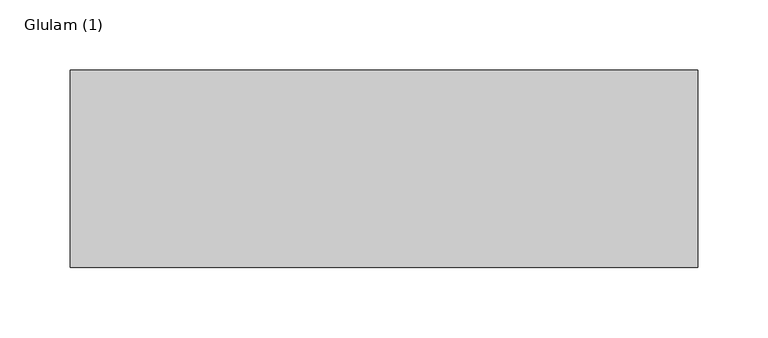
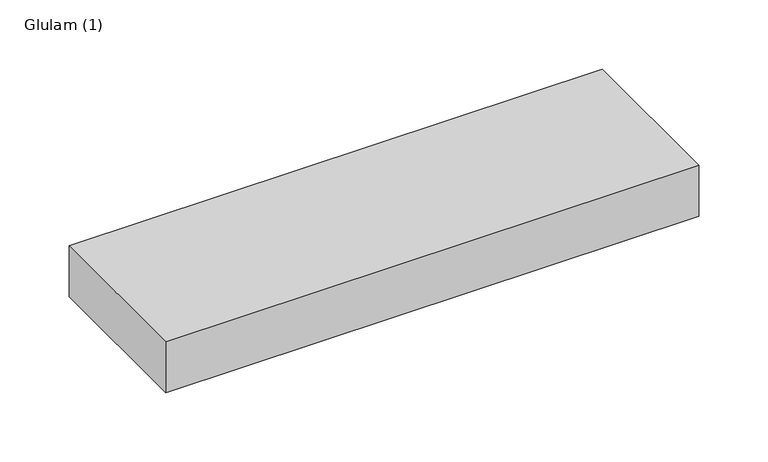
"""IFC4 building model written with IfcOpenShell, lengths in millimetres: beam geometry, Glulam (1)."""

from ifc_helpers import new_model, si_unit, frame, origin, place, context, project, spatial, polyline, outline, extrude, source, transform, mapped, element, save


def glulam_1_ba95e4d4(model_context):
    return source(origin(), model_context, "Body", "SweptSolid", [
        extrude(outline(polyline([(430.0, 70.0), (430.0, -70.0), (-15.0000006, -70.0), (-15.0000006, 70.0), (430.0, 70.0)])), frame((0.0, 0.0, -22.5), z_axis=(0.0, 0.0, 1.0), x_axis=(1.0, 0.0, 0.0)), (0.0, 0.0, 1.0), 45.0),
    ])


if __name__ == "__main__":
    model = new_model("IFC4")
    model_context = context("Model", 3, world=origin())
    ifc_project = project(units=[si_unit("LENGTHUNIT", "METRE", prefix="MILLI")], contexts=[model_context])
    site = spatial("IfcSite", under=ifc_project)
    building = spatial("IfcBuilding", under=site)
    placement = place(None, origin())
    glulam_1_shape = glulam_1_ba95e4d4(model_context)
    element("IfcBeam", 1, ObjectType="Glulam (1)", at=placement, inside=building, context=model_context, shape_type="MappedRepresentation", body=[
        mapped(glulam_1_shape, transform((0.0, 0.0, 0.0), x_axis=(1.0, 0.0, 0.0), y_axis=(0.0, 1.0, 0.0), z_axis=(0.0, 0.0, 1.0))),
    ])
    save(model, "model.ifc")
